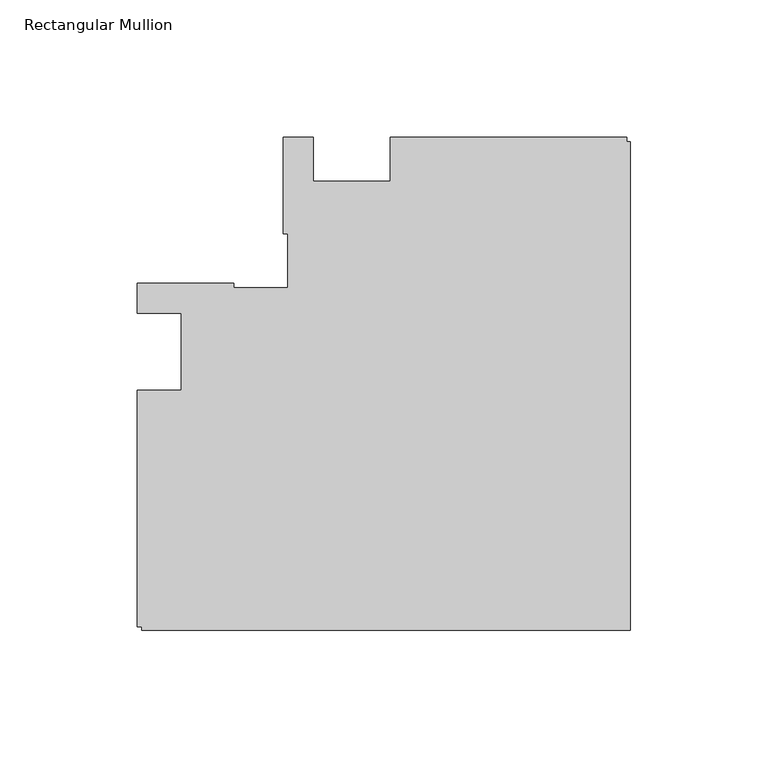
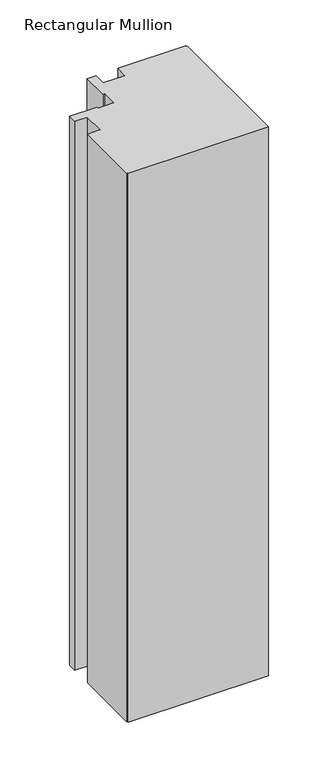
"""IFC4 building model written with IfcOpenShell, lengths in millimetres: member geometry, Rectangular Mullion."""

from ifc_helpers import new_model, si_unit, frame, origin, place, context, project, spatial, polyline, outline, extrude, source, transform, mapped, element, save


def rectangular_mullion_f55a4fe4(model_context):
    return source(origin(), model_context, "Body", "SweptSolid", [
        extrude(outline(polyline([(-179.1817613, -13.9960563), (-163.1817351, -13.9960563), (-163.1817351, 14.0038344), (-179.1817351, 14.0038344), (-179.1817351, 25.0038344), (-144.1817351, 25.0038344), (-144.1817351, 23.3186203), (-124.518731, 23.3186203), (-124.518731, 42.9816243), (-126.2039451, 42.9816243), (-126.2039451, 77.9816506), (-115.2040012, 77.9816506), (-115.2040012, 61.9816243), (-87.2040012, 61.9816243), (-87.2040012, 77.9816506), (-1.2039451, 77.9816506), (-1.2039451, 76.4884533), (0.0, 76.4884533), (0.0, -101.2001107), (-177.7039408, -101.2001107), (-177.7039408, -100.0001107), (-179.1817613, -100.0001107), (-179.1817613, -13.9960563)])), frame((0.0, 0.0, -735.0030172), z_axis=(0.0, 0.0, 1.0), x_axis=(1.0, 0.0, 0.0)), (0.0, 0.0, 1.0), 735.0030172),
    ])


if __name__ == "__main__":
    model = new_model("IFC4")
    model_context = context("Model", 3, world=origin())
    ifc_project = project(units=[si_unit("LENGTHUNIT", "METRE", prefix="MILLI")], contexts=[model_context])
    site = spatial("IfcSite", under=ifc_project)
    building = spatial("IfcBuilding", under=site)
    placement = place(None, origin())
    rectangular_mullion_shape = rectangular_mullion_f55a4fe4(model_context)
    element("IfcMember", 1, ObjectType="Rectangular Mullion", at=placement, inside=building, context=model_context, shape_type="MappedRepresentation", body=[
        mapped(rectangular_mullion_shape, transform((0.0, 0.0, 0.0), x_axis=(1.0, 0.0, 0.0), y_axis=(0.0, 1.0, 0.0), z_axis=(0.0, 0.0, 1.0))),
    ])
    save(model, "model.ifc")
